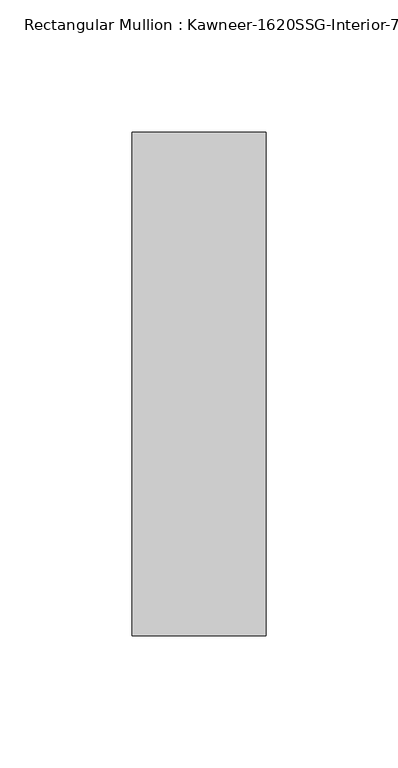
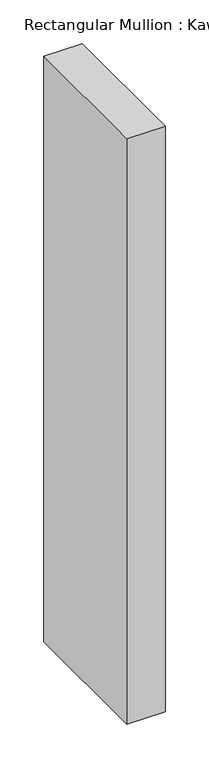
"""IFC4 building model written with IfcOpenShell, lengths in millimetres: member geometry."""

from ifc_helpers import new_model, si_unit, frame, origin, place, context, project, spatial, polyline, outline, extrude, source, transform, mapped, element, save


def member_4059fd12(model_context):
    return source(origin(), model_context, "Body", "SweptSolid", [
        extrude(outline(polyline([(25.4, 152.4), (25.4, -38.1), (-25.4, -38.1), (-25.4, 152.4), (25.4, 152.4)])), frame((0.0, 0.0, -819.15), z_axis=(0.0, 0.0, 1.0), x_axis=(1.0, 0.0, 0.0)), (0.0, 0.0, 1.0), 819.15),
    ])


if __name__ == "__main__":
    model = new_model("IFC4")
    model_context = context("Model", 3, world=origin())
    ifc_project = project(units=[si_unit("LENGTHUNIT", "METRE", prefix="MILLI")], contexts=[model_context])
    site = spatial("IfcSite", under=ifc_project)
    building = spatial("IfcBuilding", under=site)
    placement = place(None, origin())
    member_shape = member_4059fd12(model_context)
    element("IfcMember", 1, ObjectType="Rectangular Mullion : Kawneer-1620SSG-Interior-7.5\"-1\"Infill", at=placement, inside=building, context=model_context, shape_type="MappedRepresentation", body=[
        mapped(member_shape, transform((0.0, 0.0, 0.0), x_axis=(1.0, 0.0, 0.0), y_axis=(0.0, 1.0, 0.0), z_axis=(0.0, 0.0, 1.0))),
    ])
    save(model, "model.ifc")
